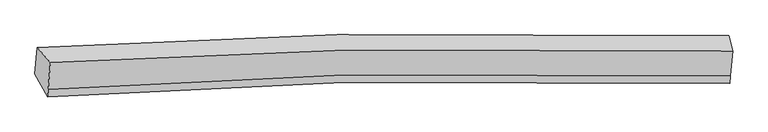
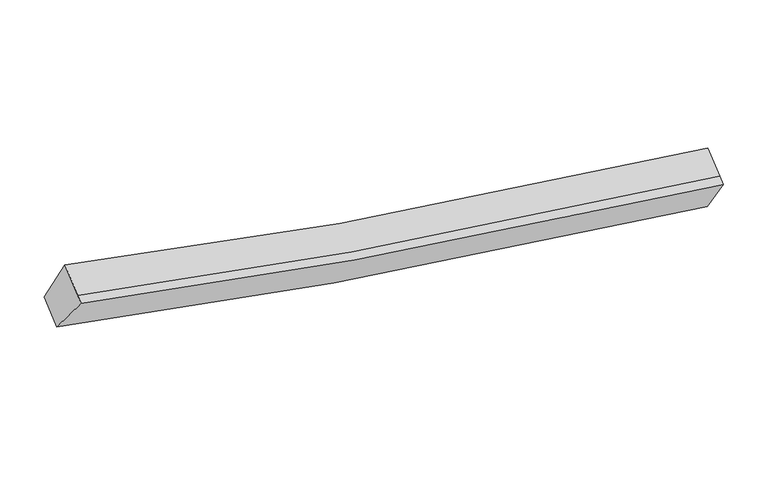
"""IFC4 building model written with IfcOpenShell, lengths in millimetres: proxy geometry."""

from ifc_helpers import new_model, si_unit, frame, origin, place, context, project, spatial, source, transform, mapped, element, save
from ifc_brep_helpers import plane_surface, spline_curve, spline_surface, advanced_brep


def generic_models_af25c489(model_context):
    return source(origin(), model_context, "Body", "AdvancedBrep", [
        advanced_brep(
        [(-4877.4377589, -1827.9762343, 3901.4774002), (-4666.2500255, -2066.8476445, 4541.81255), (6188.4790494, -1884.6101985, 2697.5671957), (6125.9176605, -1640.3104439, 2028.1699923), (-4702.386503, -2497.2270429, 4276.6186216), (6155.1946243, -2281.0221309, 2453.3035576), (-4712.3686862, -2616.1131739, 4203.3626055), (6145.2124411, -2399.9082619, 2380.0475416), (-4913.0557644, -2252.1807182, 3640.0883701), (6093.1517074, -2030.5474618, 1787.7112525)],
        [
            (0, 1),
            (1, 2, spline_curve(3, [(-4666.2500255, -2066.8476445, 4541.81255), (-3108.25048367, -1970.130284954, 4133.069199737), (-1538.950045756, -1904.109694861, 3785.454521569), (2071.947813036, -1823.412109353, 3130.974684019), (4120.890400269, -1828.686884297, 2863.840910073), (6188.4790494, -1884.6101985, 2697.5671957)], [4, 2, 4], [0.0, 15.945921244331512, 36.42859945236376])),
            (2, 3),
            (3, 0, spline_curve(3, [(6125.9176605, -1640.3104439, 2028.1699923), (4029.788806683, -1583.785386845, 2197.35615917), (1952.69071968, -1578.819261639, 2468.827426763), (-1707.597708178, -1661.684921957, 3133.555975982), (-3298.284761379, -1729.206310988, 3486.52051177), (-4877.4377589, -1827.9762343, 3901.4774002)], [4, 2, 4], [0.0, 20.48267820803225, 36.42859945236376])),
            (1, 4),
            (4, 5, spline_curve(3, [(-4702.386503, -2497.2270429, 4276.6186216), (-3143.020133241, -2384.230992384, 3877.905979574), (-1572.769011465, -2306.8879134, 3537.268064979), (2039.350009893, -2211.646490596, 2891.749941293), (4088.292597077, -2216.92126558, 2624.616168461), (6155.1946243, -2281.0221309, 2453.3035576)], [4, 2, 4], [0.0, 15.836761974202627, 36.17922412514953])),
            (5, 2),
            (4, 6),
            (6, 7, spline_curve(3, [(-4712.3686862, -2616.1131739, 4203.3626055), (-3153.002316377, -2503.11712367, 3804.649963025), (-1582.751194269, -2425.774044488, 3464.012048946), (2029.367826184, -2330.532621483, 2818.493925335), (4078.310413618, -2335.807396165, 2551.360151866), (6145.2124411, -2399.9082619, 2380.0475416)], [4, 2, 4], [0.0, 15.836680994086434, 36.179039125351075])),
            (7, 5),
            (6, 8),
            (8, 9, spline_curve(3, [(-4913.0557644, -2252.1807182, 3640.0883701), (-3332.535939275, -2137.132104061, 3235.162189449), (-1740.898201671, -2058.288226335, 2889.174417691), (1920.611388486, -1960.878727718, 2233.407582339), (3997.709475155, -1965.844853393, 1961.936315898), (6093.1517074, -2030.5474618, 1787.7112525)], [4, 2, 4], [0.0, 15.945628922972004, 36.42793164160804])),
            (9, 7),
            (8, 0),
            (3, 9),
        ],
        [
            spline_surface(3, 3, [[(-4877.4377589, -1827.9762343, 3901.4774002), (-3298.284761446, -1729.206310996, 3486.520511858), (-1707.597708335, -1661.684921999, 3133.555976211), (1952.690719881, -1578.819261584, 2468.827426469), (4029.788806551, -1583.785387132, 2197.356159438), (6125.9176605, -1640.3104439, 2028.1699923)], [(-4807.041847782, -1907.600037681, 4114.922450139), (-3234.940002153, -1809.514302348, 3702.036741178), (-1651.381820822, -1742.493179568, 3350.855491412), (1992.44308423, -1660.350210904, 2689.543178912), (4060.156004408, -1665.419219615, 2419.517743067), (6146.771456799, -1721.743695423, 2251.302393436)], [(-4736.645936618, -1987.223841119, 4328.367500061), (-3171.595242814, -1889.822293757, 3917.552970481), (-1595.16593324, -1823.301437141, 3568.155006571), (2032.195448649, -1741.881160227, 2910.258931315), (4090.523202269, -1747.053052128, 2641.679326688), (6167.625253101, -1803.176946977, 2474.434794564)], [(-4666.2500255, -2066.8476445, 4541.81255), (-3108.250483521, -1970.130285109, 4133.069199801), (-1538.950045727, -1904.10969471, 3785.454521772), (2071.947812999, -1823.412109546, 3130.974683758), (4120.890400126, -1828.686884611, 2863.840910316), (6188.4790494, -1884.6101985, 2697.5671957)]], [4, 4], [4, 2, 4], [0.0, 2.346857907752282], [0.0, 15.945921244331512, 36.42859945236376]),
            spline_surface(3, 3, [[(-4666.2500255, -2066.8476445, 4541.81255), (-3108.250483521, -1970.130285109, 4133.069199801), (-1538.950045727, -1904.10969471, 3785.454521772), (2071.947812999, -1823.412109546, 3130.974683758), (4120.890400126, -1828.686884611, 2863.840910316), (6188.4790494, -1884.6101985, 2697.5671957)], [(-4678.295517996, -2210.307443995, 4453.414573855), (-3119.840366729, -2108.163854245, 4048.014792959), (-1550.223034231, -2038.369100959, 3702.72570274), (2061.081878572, -1952.823569868, 3051.233103032), (4110.024465699, -1958.098344933, 2784.09932959), (6177.384241017, -2016.747509332, 2616.145982985)], [(-4690.341010504, -2353.767243405, 4365.016597745), (-3131.430249949, -2246.197423295, 3962.960386152), (-1561.496022785, -2172.628507212, 3619.996883753), (2050.215944095, -2082.235030195, 2971.49152235), (4099.158531322, -2087.50980516, 2704.357748908), (6166.289432683, -2148.884820068, 2534.724770315)], [(-4702.386503, -2497.2270429, 4276.6186216), (-3143.020133157, -2384.230992432, 3877.90597931), (-1572.76901129, -2306.887913461, 3537.268064721), (2039.350009667, -2211.646490517, 2891.749941624), (4088.292596894, -2216.921265482, 2624.616168182), (6155.1946243, -2281.0221309, 2453.3035576)]], [4, 4], [4, 2, 4], [0.0, 1.522206614197402], [0.0, 15.836761974202627, 36.17922412514953]),
            spline_surface(3, 3, [[(-4702.386503, -2497.2270429, 4276.6186216), (-3143.020133157, -2384.230992432, 3877.90597931), (-1572.76901129, -2306.887913461, 3537.268064721), (2039.350009667, -2211.646490517, 2891.749941624), (4088.292596894, -2216.921265482, 2624.616168182), (6155.1946243, -2281.0221309, 2453.3035576)], [(-4705.713897396, -2536.855753223, 4252.199949595), (-3146.347527553, -2423.859702754, 3853.487307306), (-1576.096405685, -2346.516623783, 3512.849392717), (2036.022615272, -2251.27520084, 2867.331269619), (4084.965202499, -2256.549975805, 2600.197496177), (6151.867229904, -2320.650841223, 2428.884885595)], [(-4709.041291804, -2576.484463577, 4227.781277505), (-3149.674921962, -2463.488413109, 3829.068635215), (-1579.423800094, -2386.145334138, 3488.430720726), (2032.695220863, -2290.903911195, 2842.912597629), (4081.63780809, -2296.178686159, 2575.778824187), (6148.539835496, -2360.279551577, 2404.466213605)], [(-4712.3686862, -2616.1131739, 4203.3626055), (-3153.002316357, -2503.117123432, 3804.64996321), (-1582.75119449, -2425.774044461, 3464.012048721), (2029.367826467, -2330.532621517, 2818.493925624), (4078.310413694, -2335.807396482, 2551.360152182), (6145.2124411, -2399.9082619, 2380.0475416)]], [4, 4], [4, 2, 4], [0.0, 0.45931758530183436], [0.0, 15.836680994086434, 36.179039125351075]),
            spline_surface(3, 3, [[(-4712.3686862, -2616.1131739, 4203.3626055), (-3153.002316357, -2503.117123432, 3804.64996321), (-1582.75119449, -2425.774044461, 3464.012048721), (2029.367826467, -2330.532621517, 2818.493925624), (4078.310413694, -2335.807396482, 2551.360152182), (6145.2124411, -2399.9082619, 2380.0475416)], [(-4779.264378927, -2494.802355334, 4015.604527011), (-3212.846857259, -2381.122116895, 3614.82070534), (-1635.466863611, -2303.278771707, 3272.39950497), (1993.115680509, -2207.314657014, 2623.46514463), (4051.443434229, -2212.486548815, 2354.885540003), (6127.858863193, -2276.787995192, 2182.602111914)], [(-4846.160071673, -2373.491536766, 3827.846448589), (-3272.691398181, -2259.127110355, 3424.991447538), (-1688.182532676, -2180.783498903, 3080.786961211), (1956.863534608, -2084.09669246, 2428.436363629), (4024.576454785, -2089.165701171, 2158.410927783), (6110.505285307, -2153.667728508, 1985.156682186)], [(-4913.0557644, -2252.1807182, 3640.0883701), (-3332.535939083, -2137.132103819, 3235.162189667), (-1740.898201797, -2058.28822615, 2889.174417461), (1920.611388649, -1960.878727956, 2233.407582635), (3997.709475319, -1965.844853504, 1961.936315604), (6093.1517074, -2030.5474618, 1787.7112525)]], [4, 4], [4, 2, 4], [0.0, 2.296581049814473], [0.0, 15.945628922972004, 36.42793164160804]),
            spline_surface(3, 3, [[(-4913.0557644, -2252.1807182, 3640.0883701), (-3332.535939083, -2137.132103819, 3235.162189667), (-1740.898201797, -2058.28822615, 2889.174417461), (1920.611388649, -1960.878727956, 2233.407582635), (3997.709475319, -1965.844853504, 1961.936315604), (6093.1517074, -2030.5474618, 1787.7112525)], [(-4901.183095899, -2110.779223566, 3727.2180468), (-3321.11887987, -2001.156839544, 3318.948297064), (-1729.798037289, -1926.087124763, 2970.634937047), (1931.304499081, -1833.525572495, 2311.880863916), (4008.402585751, -1838.491698043, 2040.409596885), (6104.073691788, -1900.46845583, 1867.86416577)], [(-4889.310427401, -1969.377728934, 3814.3477235), (-3309.701820659, -1865.18157527, 3402.734404461), (-1718.697872843, -1793.886023386, 3052.095456624), (1941.997609449, -1706.172417045, 2390.354145188), (4019.095696119, -1711.138542593, 2118.882878157), (6114.995676112, -1770.38944987, 1948.01707903)], [(-4877.4377589, -1827.9762343, 3901.4774002), (-3298.284761446, -1729.206310996, 3486.520511858), (-1707.597708335, -1661.684921999, 3133.555976211), (1952.690719881, -1578.819261584, 2468.827426469), (4029.788806551, -1583.785387132, 2197.356159438), (6125.9176605, -1640.3104439, 2028.1699923)]], [4, 4], [4, 2, 4], [0.0, 1.4983497788058129], [0.0, 16.054657480036425, 36.67700835365946]),
            plane_surface(frame((6138.1902146, -1988.8440915, 2223.3739955), z_axis=(0.9946782686437232, -0.02141885104365162, -0.10077884057626141), x_axis=(-0.0743724767463856, 0.5276582858912632, -0.8461946986556359))),
            plane_surface(frame((-4792.2780588, -2190.7794427, 4071.6852314), z_axis=(-0.9553646564428884, -0.09264111438929068, 0.2805280683719055), x_axis=(-0.0713013084770206, -0.8491866497715724, -0.5232572572446537))),
        ],
        [
            (0, [[1, 2, 3, 4]]),
            (1, [[5, 6, 7, -2]]),
            (2, [[8, 9, 10, -6]]),
            (3, [[11, 12, 13, -9]]),
            (4, [[14, -4, 15, -12]]),
            (5, [[-13, -15, -3, -7, -10]]),
            (6, [[-14, -11, -8, -5, -1]]),
        ],
    ),
    ])


if __name__ == "__main__":
    model = new_model("IFC4")
    model_context = context("Model", 3, world=origin())
    ifc_project = project(units=[si_unit("LENGTHUNIT", "METRE", prefix="MILLI")], contexts=[model_context])
    site = spatial("IfcSite", under=ifc_project)
    building = spatial("IfcBuilding", under=site)
    placement = place(None, origin())
    generic_models_shape = generic_models_af25c489(model_context)
    element("IfcBuildingElementProxy", 1, Name="Generic Models", at=placement, inside=building, context=model_context, shape_type="MappedRepresentation", body=[
        mapped(generic_models_shape, transform((0.0, 0.0, 0.0), x_axis=(1.0, 0.0, 0.0), y_axis=(0.0, 1.0, 0.0), z_axis=(0.0, 0.0, 1.0))),
    ])
    save(model, "model.ifc")
